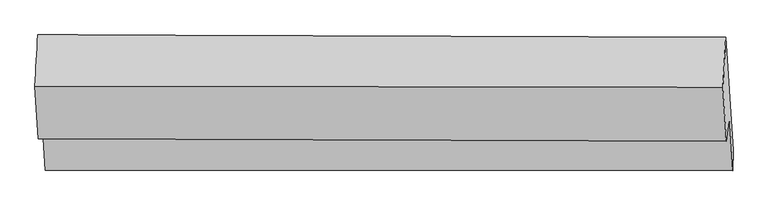
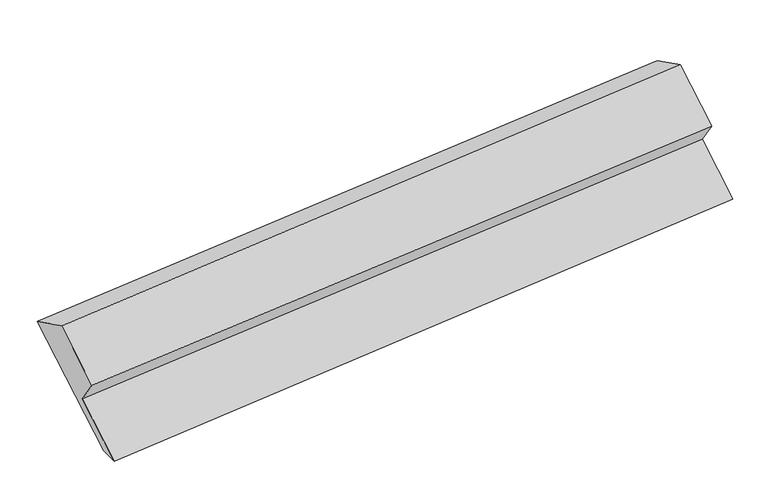
"""IFC4 building model written with IfcOpenShell, lengths in millimetres: proxy geometry."""

import ifcopenshell
import ifcopenshell.guid

model = None  # the IFC model being written
_history = None  # IfcOwnerHistory: only IFC2X3 demands one
_inside = {}  # id of a spatial element -> (the spatial element, [elements in it])
_under = {}  # id of a project, library or spatial element -> (it, [spatial elements below it])
_declared = {}  # id of a project -> (the project, [libraries it declares])
_typed = {}  # id of a type object -> (the type object, [elements of that type])
_made_of = {}  # id of a material, layer set ... -> (it, [elements and type objects made of it])


def new_model(schema):
    """Start an empty IFC model of exactly this schema.

    Asked for "IFC4X3", IfcOpenShell would pick the latest addendum, in which some entities
    have other attributes; the version numbers below select the first issue.
    IFC2X3 requires an IfcOwnerHistory on every rooted entity: one is made here for all.
    """
    global model, _history
    if schema == "IFC4X3":
        model = ifcopenshell.file(schema_version=(4, 3, 0, 0))
    else:
        model = ifcopenshell.file(schema=schema)
    _inside.clear()
    _under.clear()
    _declared.clear()
    _typed.clear()
    _made_of.clear()
    _history = None
    if model.schema == "IFC2X3":
        org = make("IfcOrganization", Name="unknown")
        user = make(
            "IfcPersonAndOrganization",
            ThePerson=make("IfcPerson", FamilyName="unknown"),
            TheOrganization=org,
        )
        app = make(
            "IfcApplication",
            ApplicationDeveloper=org,
            Version="unknown",
            ApplicationFullName="unknown",
            ApplicationIdentifier="unknown",
        )
        _history = make(
            "IfcOwnerHistory",
            OwningUser=user,
            OwningApplication=app,
            ChangeAction="ADDED",
            CreationDate=0,
        )
    return model


def make(cls, **values):
    """One entity of the class cls with the attributes given. An attribute that is None is left unset."""
    return model.create_entity(
        cls, **{name: value for name, value in values.items() if value is not None}
    )


def rooted(cls, **values):
    """An entity with a GlobalId (a new one), such as an element, a storey or a relation."""
    return make(cls, GlobalId=ifcopenshell.guid.new(), OwnerHistory=_history, **values)


def si_unit(unit_type, name, prefix=None):
    """IfcSIUnit, for example si_unit("LENGTHUNIT", "METRE", prefix="MILLI")."""
    return make("IfcSIUnit", UnitType=unit_type, Prefix=prefix, Name=name)


def assignment(units):
    """IfcUnitAssignment: the units of a project."""
    return None if units is None else make("IfcUnitAssignment", Units=units)


def point(xyz):
    """IfcCartesianPoint."""
    return None if xyz is None else make("IfcCartesianPoint", Coordinates=xyz)


def direction(xyz):
    """IfcDirection."""
    return None if xyz is None else make("IfcDirection", DirectionRatios=xyz)


def frame(location, z_axis=None, x_axis=None):
    """IfcAxis2Placement3D, a coordinate frame: its origin and axes. An axis left out is left unset."""
    return make(
        "IfcAxis2Placement3D",
        Location=point(location),
        Axis=direction(z_axis),
        RefDirection=direction(x_axis),
    )


def origin():
    """The frame at (0, 0, 0) with its axes left unset."""
    return frame((0.0, 0.0, 0.0))


def place(relative_to, where):
    """IfcLocalPlacement: puts the frame where relative to a parent placement (None: the world)."""
    return make(
        "IfcLocalPlacement", PlacementRelTo=relative_to, RelativePlacement=where
    )


def context(
    kind, dimensions, precision=None, world=None, true_north=None, identifier=None
):
    """IfcGeometricRepresentationContext, for example the 3D "Model" context."""
    return make(
        "IfcGeometricRepresentationContext",
        ContextIdentifier=identifier,
        ContextType=kind,
        CoordinateSpaceDimension=dimensions,
        Precision=precision,
        WorldCoordinateSystem=world,
        TrueNorth=true_north,
    )


def project(units=None, contexts=None):
    """IfcProject with its units and contexts."""
    return rooted(
        "IfcProject",
        Name="project",
        RepresentationContexts=contexts,
        UnitsInContext=assignment(units),
    )


def spatial(cls, under=None, at=None, **own):
    """A site, building, storey or space (cls), placed at a placement, below another one or the project."""
    s = rooted(cls, ObjectPlacement=at, **own)
    if under is not None:
        _under.setdefault(under.id(), (under, []))[1].append(s)
    return s


def shape(context_of_items, identifier, shape_type, items):
    """IfcShapeRepresentation: the items that make up one representation, for example the "Body"."""
    return make(
        "IfcShapeRepresentation",
        ContextOfItems=context_of_items,
        RepresentationIdentifier=identifier,
        RepresentationType=shape_type,
        Items=items,
    )


def source(mapping_origin, context_of_items, identifier, shape_type, items):
    """IfcRepresentationMap: a shape defined once, which mapped items show again and again."""
    return make(
        "IfcRepresentationMap",
        MappingOrigin=mapping_origin,
        MappedRepresentation=shape(context_of_items, identifier, shape_type, items),
    )


def transform(
    local_origin,
    x_axis=None,
    y_axis=None,
    z_axis=None,
    scale=None,
    scale2=None,
    scale3=None,
    uniform=True,
):
    """IfcCartesianTransformationOperator3D, or its non-uniform kind. x_axis, y_axis, z_axis: its Axis1, 2, 3."""
    if uniform:
        return make(
            "IfcCartesianTransformationOperator3D",
            Axis1=direction(x_axis),
            Axis2=direction(y_axis),
            LocalOrigin=point(local_origin),
            Scale=scale,
            Axis3=direction(z_axis),
        )
    return make(
        "IfcCartesianTransformationOperator3DnonUniform",
        Axis1=direction(x_axis),
        Axis2=direction(y_axis),
        LocalOrigin=point(local_origin),
        Scale=scale,
        Axis3=direction(z_axis),
        Scale2=scale2,
        Scale3=scale3,
    )


def mapped(mapping_source, mapping_target):
    """IfcMappedItem: shows the shape of a source again, moved by a transform."""
    return make(
        "IfcMappedItem", MappingSource=mapping_source, MappingTarget=mapping_target
    )


def made_of(thing, what):
    """Note that an element or type object is made of a material, layer set ...; save() writes the relation."""
    if what is not None:
        _made_of.setdefault(what.id(), (what, []))[1].append(thing)
    return thing


def element(
    cls,
    number,
    at=None,
    inside=None,
    cuts=None,
    type_object=None,
    material=None,
    context=None,
    identifier="Body",
    shape_type=None,
    held_by="IfcProductDefinitionShape",
    body=None,
    shapes=None,
    **own,
):
    """One element of the class cls, such as IfcWall. Its Tag is "e" and its number.

    at: its placement. inside: the storey or other place that contains it. cuts: it is an
    opening in that element (IfcRelVoidsElement). A single representation is given by context,
    identifier, shape_type and body (its items); several are given by shapes. held_by: the class
    of the entity that holds the representations. save() writes the other relations.
    """
    e = rooted(cls, Tag="e%d" % number, ObjectPlacement=at, **own)
    if body is not None:
        shapes = [shape(context, identifier, shape_type, body)]
    if shapes is not None:
        e.Representation = make(held_by, Representations=shapes)
    if inside is not None:
        _inside.setdefault(inside.id(), (inside, []))[1].append(e)
    if cuts is not None:
        rooted(
            "IfcRelVoidsElement", RelatingBuildingElement=cuts, RelatedOpeningElement=e
        )
    if type_object is not None:
        _typed.setdefault(type_object.id(), (type_object, []))[1].append(e)
    return made_of(e, material)


def aggregate(whole, parts):
    """IfcRelAggregates: a whole, such as a stair, and the parts it consists of."""
    return rooted("IfcRelAggregates", RelatingObject=whole, RelatedObjects=parts)


def save(model, path):
    """Write the relations noted so far, then the file.

    IfcRelAggregates (storeys below a building ...), IfcRelContainedInSpatialStructure (elements
    in a storey), IfcRelDefinesByType, IfcRelAssociatesMaterial and IfcRelDeclares: one each for
    every whole, place, type object, material and project.
    """
    for whole, parts in _under.values():
        aggregate(whole, parts)
    for where, things in _inside.values():
        rooted(
            "IfcRelContainedInSpatialStructure",
            RelatedElements=things,
            RelatingStructure=where,
        )
    for kind, things in _typed.values():
        rooted("IfcRelDefinesByType", RelatedObjects=things, RelatingType=kind)
    for what, things in _made_of.values():
        rooted("IfcRelAssociatesMaterial", RelatedObjects=things, RelatingMaterial=what)
    for by, libraries in _declared.values():
        rooted("IfcRelDeclares", RelatingContext=by, RelatedDefinitions=libraries)
    model.write(path)


def plane_surface(at):
    """IfcPlane: the flat surface through the origin of the frame at, square to its z axis."""
    return make("IfcPlane", Position=at)


def spline_surface(u_degree, v_degree, points, u_multiplicities, v_multiplicities, u_knots, v_knots, weights=None):
    """IfcBSplineSurfaceWithKnots; with weights, IfcRationalBSplineSurfaceWithKnots. points: one row for each step in u."""
    own = dict(
        UDegree=u_degree,
        VDegree=v_degree,
        ControlPointsList=[[point(p) for p in row] for row in points],
        SurfaceForm="UNSPECIFIED",
        UClosed=False,
        VClosed=False,
        SelfIntersect=False,
        UMultiplicities=u_multiplicities,
        VMultiplicities=v_multiplicities,
        UKnots=u_knots,
        VKnots=v_knots,
        KnotSpec="UNSPECIFIED",
    )
    if weights is None:
        return make("IfcBSplineSurfaceWithKnots", **own)
    return make("IfcRationalBSplineSurfaceWithKnots", WeightsData=weights, **own)


def advanced_brep(points, edges, surfaces, faces):
    """IfcAdvancedBrep: a solid bounded by faces that lie on surfaces and meet in shared edges.

    An edge is (start, end): straight between two places in points (the first is 0);
    or (start, end, curve); or (start, end, curve, False) where it runs against its curve.
    A face is (place in surfaces, loops), or (place, loops, False) where it looks against
    its surface's normal. A loop lists edges by number (the first is 1), with a minus sign
    where the edge is run from its end to its start. The first loop is the outer one.
    """
    corners = [point(p) for p in points]
    vertices = [make("IfcVertexPoint", VertexGeometry=c) for c in corners]
    made = []
    for start, end, *more in edges:
        made.append(
            make(
                "IfcEdgeCurve",
                EdgeStart=vertices[start],
                EdgeEnd=vertices[end],
                EdgeGeometry=more[0] if more else make("IfcPolyline", Points=[corners[start], corners[end]]),
                SameSense=more[1] if len(more) > 1 else True,
            )
        )
    hull = []
    for where, loops, *sense in faces:
        bounds = []
        for j, loop in enumerate(loops):
            ring = [make("IfcOrientedEdge", EdgeElement=made[abs(k) - 1], Orientation=k > 0) for k in loop]
            bounds.append(
                make(
                    "IfcFaceOuterBound" if j == 0 else "IfcFaceBound",
                    Bound=make("IfcEdgeLoop", EdgeList=ring),
                    Orientation=True,
                )
            )
        hull.append(make("IfcAdvancedFace", Bounds=bounds, FaceSurface=surfaces[where], SameSense=sense[0] if sense else True))
    return make("IfcAdvancedBrep", Outer=make("IfcClosedShell", CfsFaces=hull))


def generic_models_8b2de9a2(model_context):
    return source(origin(), model_context, "Body", "AdvancedBrep", [
        advanced_brep(
        [(-6194.2770836, -1828.93509, 1083.390603), (-6267.759822, -703.2909394, 1925.8675225), (492.6546159, -726.0372398, 2587.6969691), (565.093507, -1835.6912309, 1757.187722), (-6195.7178172, -2032.5102872, 1085.0018298), (563.6527733, -2039.2664282, 1758.7989488), (-6231.217924, -1488.7024712, 1492.0092605), (529.7184376, -1519.4438515, 2147.854871), (-6262.3820823, -1722.964594, 1802.2916605), (499.3532944, -1747.6997489, 2450.1819687), (-6296.0202953, -1207.6781669, 2187.9525476), (464.6712339, -1216.4231624, 2847.8105282)],
        [
            (0, 1),
            (1, 2),
            (2, 3),
            (3, 0),
            (4, 0),
            (3, 5),
            (5, 4),
            (6, 4),
            (5, 7),
            (7, 6),
            (8, 6),
            (7, 9),
            (9, 8),
            (10, 8),
            (9, 11),
            (11, 10),
            (1, 10),
            (11, 2),
        ],
        [
            plane_surface(frame((-6231.0184528, -1266.1130147, 1504.6290627), z_axis=(0.0799015018316075, 0.6006225244829064, -0.7955302213548109), x_axis=(-0.0521923695770939, 0.7995079765785423, 0.5983836160400894))),
            plane_surface(frame((-6194.9974504, -1930.7226886, 1084.1962164), z_axis=(0.09917966826774956, -0.008577246727855292, -0.9950325744621976), x_axis=(0.007076758287462031, 0.9999436408294999, -0.007914206011033641))),
            plane_surface(frame((-6213.4678706, -1760.6063792, 1288.5055452), z_axis=(-0.07990150183160763, -0.6006225244829104, 0.7955302213548077), x_axis=(0.05219236957709387, -0.7995079765785392, -0.5983836160400934))),
            plane_surface(frame((-6246.8000031, -1605.8335326, 1647.1504605), z_axis=(0.05439040211335772, -0.7995199195957191, -0.5981718668807502), x_axis=(0.0799015018316076, 0.6006225244829022, -0.7955302213548139))),
            plane_surface(frame((-6279.2011888, -1465.3213804, 1995.122104), z_axis=(-0.0784359734030395, -0.6006311352082094, 0.7956695529519874), x_axis=(0.0521923695770951, -0.7995079765785505, -0.5983836160400782))),
            spline_surface(1, 1, [[(-6267.759822, -703.2909394, 1925.8675225), (492.6546159, -726.0372398, 2587.6969691)], [(-6296.0202953, -1207.6781669, 2187.9525476), (464.6712339, -1216.4231624, 2847.8105282)]], [2, 2], [2, 2], [0.0, 1.0], [0.0, 1.0]),
            plane_surface(frame((519.1906437, -1514.0936103, 2258.255168), z_axis=(0.9954354356576732, -0.006291142270333762, 0.09522980082911378), x_axis=(0.0799015018316076, 0.6006225244829022, -0.7955302213548139))),
            plane_surface(frame((-6241.2291707, -1497.3469248, 1596.0855706), z_axis=(-0.9954354356576731, 0.006291142270333658, -0.0952298008291155), x_axis=(0.052192369577094166, -0.7995079765785453, -0.5983836160400853))),
        ],
        [
            (0, [[1, 2, 3, 4]]),
            (1, [[5, -4, 6, 7]]),
            (2, [[8, -7, 9, 10]]),
            (3, [[11, -10, 12, 13]]),
            (4, [[14, -13, 15, 16]]),
            (5, [[17, -16, 18, -2]]),
            (6, [[-12, -9, -6, -3, -18, -15]]),
            (7, [[-1, -5, -8, -11, -14, -17]]),
        ],
    ),
    ])


if __name__ == "__main__":
    model = new_model("IFC4")
    model_context = context("Model", 3, world=origin())
    ifc_project = project(units=[si_unit("LENGTHUNIT", "METRE", prefix="MILLI")], contexts=[model_context])
    site = spatial("IfcSite", under=ifc_project)
    building = spatial("IfcBuilding", under=site)
    placement = place(None, origin())
    generic_models_shape = generic_models_8b2de9a2(model_context)
    element("IfcBuildingElementProxy", 1, Name="Generic Models", at=placement, inside=building, context=model_context, shape_type="MappedRepresentation", body=[
        mapped(generic_models_shape, transform((0.0, 0.0, 0.0), x_axis=(1.0, 0.0, 0.0), y_axis=(0.0, 1.0, 0.0), z_axis=(0.0, 0.0, 1.0))),
    ])
    save(model, "model.ifc")
